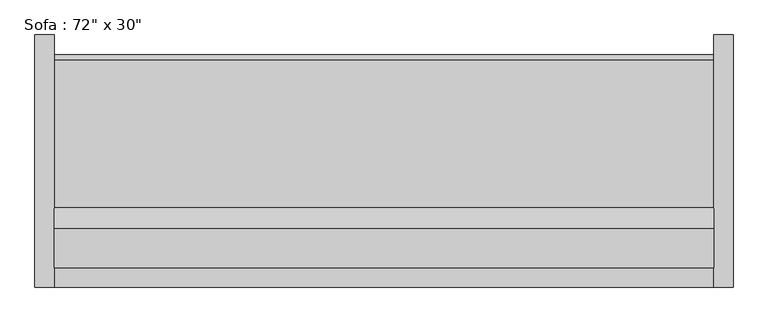
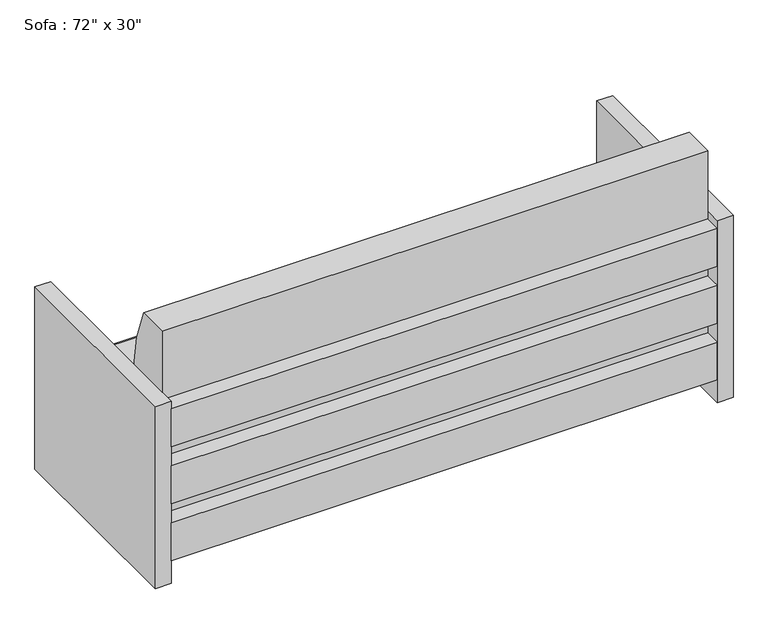
"""IFC4 building model written with IfcOpenShell, lengths in millimetres: furniture geometry."""

import ifcopenshell
import ifcopenshell.guid

model = None  # the IFC model being written
_history = None  # IfcOwnerHistory: only IFC2X3 demands one
_inside = {}  # id of a spatial element -> (the spatial element, [elements in it])
_under = {}  # id of a project, library or spatial element -> (it, [spatial elements below it])
_declared = {}  # id of a project -> (the project, [libraries it declares])
_typed = {}  # id of a type object -> (the type object, [elements of that type])
_made_of = {}  # id of a material, layer set ... -> (it, [elements and type objects made of it])


def new_model(schema):
    """Start an empty IFC model of exactly this schema.

    Asked for "IFC4X3", IfcOpenShell would pick the latest addendum, in which some entities
    have other attributes; the version numbers below select the first issue.
    IFC2X3 requires an IfcOwnerHistory on every rooted entity: one is made here for all.
    """
    global model, _history
    if schema == "IFC4X3":
        model = ifcopenshell.file(schema_version=(4, 3, 0, 0))
    else:
        model = ifcopenshell.file(schema=schema)
    _inside.clear()
    _under.clear()
    _declared.clear()
    _typed.clear()
    _made_of.clear()
    _history = None
    if model.schema == "IFC2X3":
        org = make("IfcOrganization", Name="unknown")
        user = make(
            "IfcPersonAndOrganization",
            ThePerson=make("IfcPerson", FamilyName="unknown"),
            TheOrganization=org,
        )
        app = make(
            "IfcApplication",
            ApplicationDeveloper=org,
            Version="unknown",
            ApplicationFullName="unknown",
            ApplicationIdentifier="unknown",
        )
        _history = make(
            "IfcOwnerHistory",
            OwningUser=user,
            OwningApplication=app,
            ChangeAction="ADDED",
            CreationDate=0,
        )
    return model


def make(cls, **values):
    """One entity of the class cls with the attributes given. An attribute that is None is left unset."""
    return model.create_entity(
        cls, **{name: value for name, value in values.items() if value is not None}
    )


def rooted(cls, **values):
    """An entity with a GlobalId (a new one), such as an element, a storey or a relation."""
    return make(cls, GlobalId=ifcopenshell.guid.new(), OwnerHistory=_history, **values)


def si_unit(unit_type, name, prefix=None):
    """IfcSIUnit, for example si_unit("LENGTHUNIT", "METRE", prefix="MILLI")."""
    return make("IfcSIUnit", UnitType=unit_type, Prefix=prefix, Name=name)


def assignment(units):
    """IfcUnitAssignment: the units of a project."""
    return None if units is None else make("IfcUnitAssignment", Units=units)


def point(xyz):
    """IfcCartesianPoint."""
    return None if xyz is None else make("IfcCartesianPoint", Coordinates=xyz)


def direction(xyz):
    """IfcDirection."""
    return None if xyz is None else make("IfcDirection", DirectionRatios=xyz)


def frame(location, z_axis=None, x_axis=None):
    """IfcAxis2Placement3D, a coordinate frame: its origin and axes. An axis left out is left unset."""
    return make(
        "IfcAxis2Placement3D",
        Location=point(location),
        Axis=direction(z_axis),
        RefDirection=direction(x_axis),
    )


def frame_2d(location, x_axis=None):
    """IfcAxis2Placement2D, a coordinate frame in the plane: its origin and x axis."""
    return make(
        "IfcAxis2Placement2D", Location=point(location), RefDirection=direction(x_axis)
    )


def origin():
    """The frame at (0, 0, 0) with its axes left unset."""
    return frame((0.0, 0.0, 0.0))


def origin_with_axes():
    """The frame at (0, 0, 0) with the z axis (0, 0, 1) and the x axis (1, 0, 0) written out."""
    return frame((0.0, 0.0, 0.0), z_axis=(0.0, 0.0, 1.0), x_axis=(1.0, 0.0, 0.0))


def place(relative_to, where):
    """IfcLocalPlacement: puts the frame where relative to a parent placement (None: the world)."""
    return make(
        "IfcLocalPlacement", PlacementRelTo=relative_to, RelativePlacement=where
    )


def context(
    kind, dimensions, precision=None, world=None, true_north=None, identifier=None
):
    """IfcGeometricRepresentationContext, for example the 3D "Model" context."""
    return make(
        "IfcGeometricRepresentationContext",
        ContextIdentifier=identifier,
        ContextType=kind,
        CoordinateSpaceDimension=dimensions,
        Precision=precision,
        WorldCoordinateSystem=world,
        TrueNorth=true_north,
    )


def project(units=None, contexts=None):
    """IfcProject with its units and contexts."""
    return rooted(
        "IfcProject",
        Name="project",
        RepresentationContexts=contexts,
        UnitsInContext=assignment(units),
    )


def spatial(cls, under=None, at=None, **own):
    """A site, building, storey or space (cls), placed at a placement, below another one or the project."""
    s = rooted(cls, ObjectPlacement=at, **own)
    if under is not None:
        _under.setdefault(under.id(), (under, []))[1].append(s)
    return s


def polyline(points):
    """IfcPolyline through the points."""
    return make("IfcPolyline", Points=[point(p) for p in points])


def circle_curve(where, radius):
    """IfcCircle in the frame where."""
    return make("IfcCircle", Position=where, Radius=radius)


def trimmed(basis, trim1, trim2, sense, master):
    """IfcTrimmedCurve: the piece of a basis curve between two trims."""
    return make(
        "IfcTrimmedCurve",
        BasisCurve=basis,
        Trim1=trim1,
        Trim2=trim2,
        SenseAgreement=sense,
        MasterRepresentation=master,
    )


def segment(curve, same_sense, transition):
    """IfcCompositeCurveSegment."""
    return make(
        "IfcCompositeCurveSegment",
        Transition=transition,
        SameSense=same_sense,
        ParentCurve=curve,
    )


def composite_curve(segments, self_intersect=None):
    """IfcCompositeCurve: segments joined end to end."""
    return make("IfcCompositeCurve", Segments=segments, SelfIntersect=self_intersect)


def outline(outer, holes=None, kind="AREA"):
    """IfcArbitraryClosedProfileDef: a profile drawn as a closed curve; with holes, ...WithVoids."""
    if holes is None:
        return make("IfcArbitraryClosedProfileDef", ProfileType=kind, OuterCurve=outer)
    return make(
        "IfcArbitraryProfileDefWithVoids",
        ProfileType=kind,
        OuterCurve=outer,
        InnerCurves=holes,
    )


def extrude(swept, where, along, depth):
    """IfcExtrudedAreaSolid: the profile swept, set in the frame where, extruded along a direction by depth."""
    return make(
        "IfcExtrudedAreaSolid",
        SweptArea=swept,
        Position=where,
        ExtrudedDirection=direction(along),
        Depth=depth,
    )


def shape(context_of_items, identifier, shape_type, items):
    """IfcShapeRepresentation: the items that make up one representation, for example the "Body"."""
    return make(
        "IfcShapeRepresentation",
        ContextOfItems=context_of_items,
        RepresentationIdentifier=identifier,
        RepresentationType=shape_type,
        Items=items,
    )


def source(mapping_origin, context_of_items, identifier, shape_type, items):
    """IfcRepresentationMap: a shape defined once, which mapped items show again and again."""
    return make(
        "IfcRepresentationMap",
        MappingOrigin=mapping_origin,
        MappedRepresentation=shape(context_of_items, identifier, shape_type, items),
    )


def transform(
    local_origin,
    x_axis=None,
    y_axis=None,
    z_axis=None,
    scale=None,
    scale2=None,
    scale3=None,
    uniform=True,
):
    """IfcCartesianTransformationOperator3D, or its non-uniform kind. x_axis, y_axis, z_axis: its Axis1, 2, 3."""
    if uniform:
        return make(
            "IfcCartesianTransformationOperator3D",
            Axis1=direction(x_axis),
            Axis2=direction(y_axis),
            LocalOrigin=point(local_origin),
            Scale=scale,
            Axis3=direction(z_axis),
        )
    return make(
        "IfcCartesianTransformationOperator3DnonUniform",
        Axis1=direction(x_axis),
        Axis2=direction(y_axis),
        LocalOrigin=point(local_origin),
        Scale=scale,
        Axis3=direction(z_axis),
        Scale2=scale2,
        Scale3=scale3,
    )


def mapped(mapping_source, mapping_target):
    """IfcMappedItem: shows the shape of a source again, moved by a transform."""
    return make(
        "IfcMappedItem", MappingSource=mapping_source, MappingTarget=mapping_target
    )


def made_of(thing, what):
    """Note that an element or type object is made of a material, layer set ...; save() writes the relation."""
    if what is not None:
        _made_of.setdefault(what.id(), (what, []))[1].append(thing)
    return thing


def element(
    cls,
    number,
    at=None,
    inside=None,
    cuts=None,
    type_object=None,
    material=None,
    context=None,
    identifier="Body",
    shape_type=None,
    held_by="IfcProductDefinitionShape",
    body=None,
    shapes=None,
    **own,
):
    """One element of the class cls, such as IfcWall. Its Tag is "e" and its number.

    at: its placement. inside: the storey or other place that contains it. cuts: it is an
    opening in that element (IfcRelVoidsElement). A single representation is given by context,
    identifier, shape_type and body (its items); several are given by shapes. held_by: the class
    of the entity that holds the representations. save() writes the other relations.
    """
    e = rooted(cls, Tag="e%d" % number, ObjectPlacement=at, **own)
    if body is not None:
        shapes = [shape(context, identifier, shape_type, body)]
    if shapes is not None:
        e.Representation = make(held_by, Representations=shapes)
    if inside is not None:
        _inside.setdefault(inside.id(), (inside, []))[1].append(e)
    if cuts is not None:
        rooted(
            "IfcRelVoidsElement", RelatingBuildingElement=cuts, RelatedOpeningElement=e
        )
    if type_object is not None:
        _typed.setdefault(type_object.id(), (type_object, []))[1].append(e)
    return made_of(e, material)


def aggregate(whole, parts):
    """IfcRelAggregates: a whole, such as a stair, and the parts it consists of."""
    return rooted("IfcRelAggregates", RelatingObject=whole, RelatedObjects=parts)


def save(model, path):
    """Write the relations noted so far, then the file.

    IfcRelAggregates (storeys below a building ...), IfcRelContainedInSpatialStructure (elements
    in a storey), IfcRelDefinesByType, IfcRelAssociatesMaterial and IfcRelDeclares: one each for
    every whole, place, type object, material and project.
    """
    for whole, parts in _under.values():
        aggregate(whole, parts)
    for where, things in _inside.values():
        rooted(
            "IfcRelContainedInSpatialStructure",
            RelatedElements=things,
            RelatingStructure=where,
        )
    for kind, things in _typed.values():
        rooted("IfcRelDefinesByType", RelatedObjects=things, RelatingType=kind)
    for what, things in _made_of.values():
        rooted("IfcRelAssociatesMaterial", RelatedObjects=things, RelatingMaterial=what)
    for by, libraries in _declared.values():
        rooted("IfcRelDeclares", RelatingContext=by, RelatedDefinitions=libraries)
    model.write(path)


def furniture_4aa42607(model_context):
    return source(origin(), model_context, "Body", "SweptSolid", [
        extrude(outline(polyline([(-793.2295082, -425.5540984), (933.9704918, -425.5540984), (933.9704918, -476.3540984), (-793.2295082, -476.3540984), (-793.2295082, -425.5540984)])), frame((0.0, 0.0, 457.2), z_axis=(0.0, 0.0, 1.0), x_axis=(1.0, 0.0, 0.0)), (0.0, 0.0, 1.0), 127.0),
        extrude(outline(polyline([(-793.2295082, -425.5540984), (933.9704918, -425.5540984), (933.9704918, -476.3540984), (-793.2295082, -476.3540984), (-793.2295082, -425.5540984)])), frame((0.0, 0.0, 266.7), z_axis=(0.0, 0.0, 1.0), x_axis=(1.0, 0.0, 0.0)), (0.0, 0.0, 1.0), 127.0),
        extrude(outline(polyline([(-793.2295082, -425.5540984), (933.9704918, -425.5540984), (933.9704918, -476.3540984), (-793.2295082, -476.3540984), (-793.2295082, -425.5540984)])), frame((0.0, 0.0, 76.2), z_axis=(0.0, 0.0, 1.0), x_axis=(1.0, 0.0, 0.0)), (0.0, 0.0, 1.0), 127.0),
        extrude(outline(composite_curve([segment(polyline([(-286.1764935, 381.0), (119.3862837, 381.0)]), True, "CONTINUOUS"), segment(trimmed(circle_curve(frame_2d((119.3862837, 368.3)), 12.7), [point((119.3862837, 381.0))], [point((132.0379563, 367.1931221))], False, "CARTESIAN"), True, "CONTINUOUS"), segment(polyline([(132.0379563, 367.1931221), (111.108343, 127.9665467), (-425.5540984, 127.9665467), (-425.5540984, 812.8), (-323.9540984, 812.8)]), True, "CONTINUOUS"), segment(trimmed(circle_curve(frame_2d((-926.517198, 542.5300036)), 660.4), [point((-323.9540984, 812.8))], [point((-286.1764935, 381.0))], False, "CARTESIAN"), True, "CONTINUOUS")], self_intersect=False)), frame((-793.2295082, 0.0, 0.0), z_axis=(1.0, 0.0, 0.0), x_axis=(0.0, 1.0, 0.0)), (0.0, 0.0, 1.0), 1727.2),
        extrude(outline(polyline([(-844.0295082, -476.3540984), (-844.0295082, 184.0459016), (-793.2295082, 184.0459016), (-793.2295082, -476.3540984), (-844.0295082, -476.3540984)])), origin_with_axes(), (0.0, 0.0, 1.0), 609.6),
        extrude(outline(polyline([(984.7704918, -476.3540984), (933.9704918, -476.3540984), (933.9704918, 184.0459016), (984.7704918, 184.0459016), (984.7704918, -476.3540984)])), origin_with_axes(), (0.0, 0.0, 1.0), 609.6),
    ])


if __name__ == "__main__":
    model = new_model("IFC4")
    model_context = context("Model", 3, world=origin())
    ifc_project = project(units=[si_unit("LENGTHUNIT", "METRE", prefix="MILLI")], contexts=[model_context])
    site = spatial("IfcSite", under=ifc_project)
    building = spatial("IfcBuilding", under=site)
    placement = place(None, origin())
    furniture_shape = furniture_4aa42607(model_context)
    element("IfcFurniture", 1, ObjectType="Sofa : 72\" x 30\"", at=placement, inside=building, context=model_context, shape_type="MappedRepresentation", body=[
        mapped(furniture_shape, transform((0.0, 0.0, 0.0), x_axis=(1.0, 0.0, 0.0), y_axis=(0.0, 1.0, 0.0), z_axis=(0.0, 0.0, 1.0))),
    ])
    save(model, "model.ifc")
